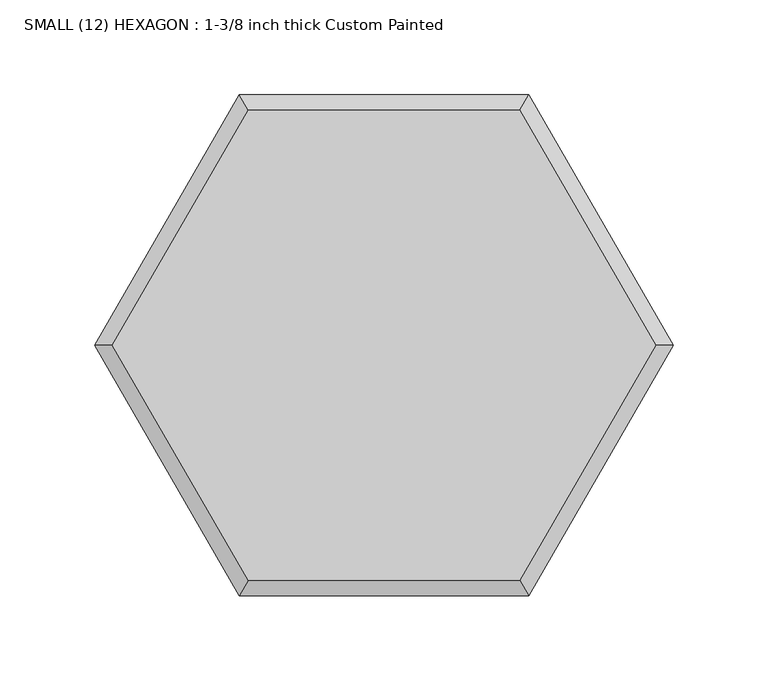
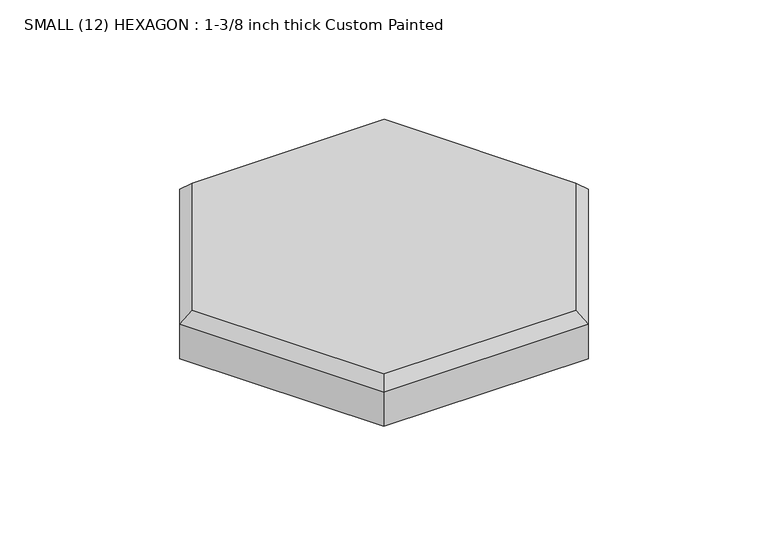
"""IFC4 building model written with IfcOpenShell, lengths in millimetres: proxy geometry, SMALL (12) HEXAGON : 1-3/8 inch thick Custom Painted."""

from ifc_helpers import new_model, si_unit, origin, place, context, project, spatial, faceted_brep, source, transform, mapped, element, save


def small_12_hexagon_1_3_8_inch_thick_custom_painted_628bb92d(model_context):
    return source(origin(), model_context, "Body", "Brep", [
        faceted_brep([(-143.161241, 0.0, 34.925), (-71.5806205, -123.9812715, 34.925), (71.5806205, -123.9812715, 34.925), (143.161241, 0.0, 34.925), (71.5806205, 123.9812715, 34.925), (-71.5806205, 123.9812715, 34.925), (76.2, 131.9822715, 0.0), (152.4, 0.0, 0.0), (76.2, -131.9822715, 0.0), (-76.2, -131.9822715, 0.0), (-152.4, 0.0, 0.0), (-76.2, 131.9822715, 0.0), (-76.2, 131.9822715, 26.924), (76.2, 131.9822715, 26.924), (-152.4, 0.0, 26.924), (-76.2, -131.9822715, 26.924), (76.2, -131.9822715, 26.924), (152.4, 0.0, 26.924)], [[[0, 1, 2, 3, 4, 5]], [[6, 7, 8, 9, 10, 11]], [[6, 11, 12, 13]], [[11, 10, 14, 12]], [[10, 9, 15, 14]], [[9, 8, 16, 15]], [[8, 7, 17, 16]], [[7, 6, 13, 17]], [[15, 1, 0, 14]], [[1, 15, 16, 2]], [[2, 16, 17, 3]], [[3, 17, 13, 4]], [[4, 13, 12, 5]], [[14, 0, 5, 12]]]),
    ])


if __name__ == "__main__":
    model = new_model("IFC4")
    model_context = context("Model", 3, world=origin())
    ifc_project = project(units=[si_unit("LENGTHUNIT", "METRE", prefix="MILLI")], contexts=[model_context])
    site = spatial("IfcSite", under=ifc_project)
    building = spatial("IfcBuilding", under=site)
    placement = place(None, origin())
    small_12_hexagon_1_3_8_inch_thick_custom_painted_shape = small_12_hexagon_1_3_8_inch_thick_custom_painted_628bb92d(model_context)
    element("IfcBuildingElementProxy", 1, Name="SMALL (12) HEXAGON : 1-3/8 inch thick Custom Painted", ObjectType="SMALL (12) HEXAGON : 1-3/8 inch thick Custom Painted", at=placement, inside=building, context=model_context, shape_type="MappedRepresentation", body=[
        mapped(small_12_hexagon_1_3_8_inch_thick_custom_painted_shape, transform((0.0, 0.0, 0.0), x_axis=(1.0, 0.0, 0.0), y_axis=(0.0, 1.0, 0.0), z_axis=(0.0, 0.0, 1.0))),
    ])
    save(model, "model.ifc")
